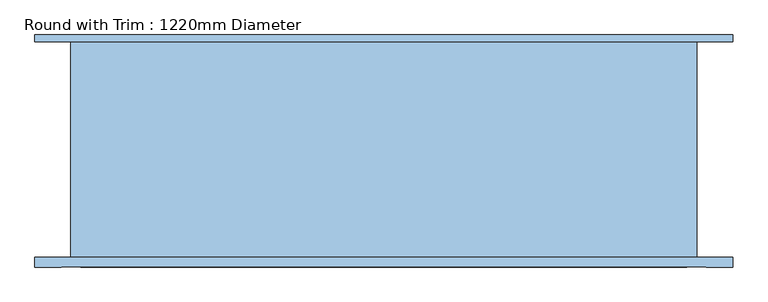
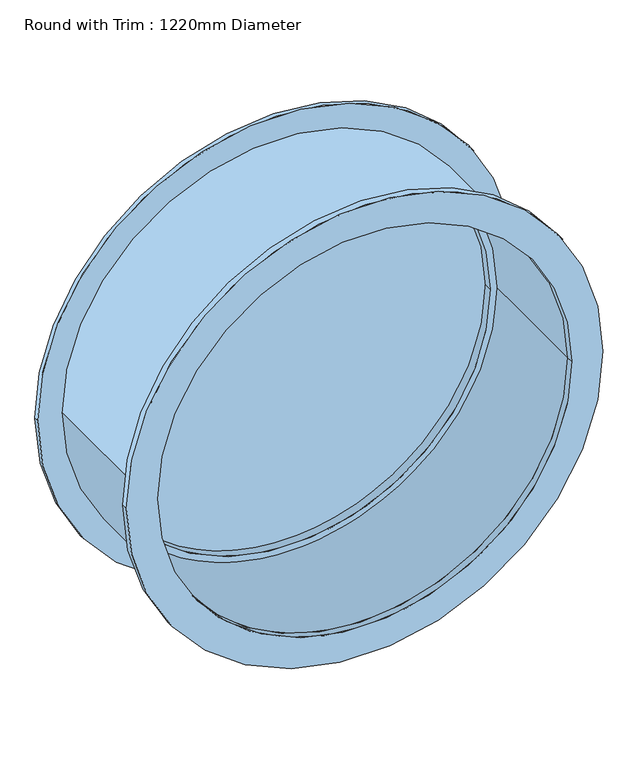
"""IFC4 building model written with IfcOpenShell, lengths in millimetres: window geometry, Round with Trim : 1220mm Diameter."""

from ifc_helpers import new_model, si_unit, point, frame, frame_2d, origin, place, context, project, spatial, circle_curve, trimmed, segment, composite_curve, outline, extrude, source, transform, mapped, element, save


def round_with_trim_1220mm_diameter_c9d7ba52(model_context):
    return source(origin(), model_context, "Body", "SweptSolid", [
        extrude(outline(composite_curve([segment(trimmed(circle_curve(frame_2d((1220.0, 152.8)), 679.95), [point((1220.0, -527.15))], [point((1220.0, 832.75))], False, "CARTESIAN"), True, "CONTINUOUS"), segment(trimmed(circle_curve(frame_2d((1220.0, 152.8)), 679.95), [point((1220.0, 832.75))], [point((1220.0, -527.15))], False, "CARTESIAN"), True, "CONTINUOUS")], self_intersect=False), holes=[composite_curve([segment(trimmed(circle_curve(frame_2d((1220.0, 152.8)), 590.95), [point((1220.0, -438.15))], [point((1220.0, 743.75))], True, "CARTESIAN"), True, "CONTINUOUS"), segment(trimmed(circle_curve(frame_2d((1220.0, 152.8)), 590.95), [point((1220.0, 743.75))], [point((1220.0, -438.15))], True, "CARTESIAN"), True, "CONTINUOUS")], self_intersect=False)]), frame((0.0, -229.0, 0.0), z_axis=(0.0, 1.0, 0.0), x_axis=(0.0, 0.0, 1.0)), (0.0, 0.0, 1.0), 19.0),
        extrude(outline(composite_curve([segment(trimmed(circle_curve(frame_2d((1220.0, 152.8)), 679.95), [point((1220.0, -527.15))], [point((1220.0, 832.75))], False, "CARTESIAN"), True, "CONTINUOUS"), segment(trimmed(circle_curve(frame_2d((1220.0, 152.8)), 679.95), [point((1220.0, 832.75))], [point((1220.0, -527.15))], False, "CARTESIAN"), True, "CONTINUOUS")], self_intersect=False), holes=[composite_curve([segment(trimmed(circle_curve(frame_2d((1220.0, 152.8)), 590.95), [point((1220.0, -438.15))], [point((1220.0, 743.75))], True, "CARTESIAN"), True, "CONTINUOUS"), segment(trimmed(circle_curve(frame_2d((1220.0, 152.8)), 590.95), [point((1220.0, 743.75))], [point((1220.0, -438.15))], True, "CARTESIAN"), True, "CONTINUOUS")], self_intersect=False)]), frame((0.0, 210.0, 0.0), z_axis=(0.0, 1.0, 0.0), x_axis=(0.0, 0.0, 1.0)), (0.0, 0.0, 1.0), 13.0),
        extrude(outline(composite_curve([segment(trimmed(circle_curve(frame_2d((1220.0, 152.8)), 571.9), [point((1220.0, -419.1))], [point((1220.0, 724.7))], False, "CARTESIAN"), True, "CONTINUOUS"), segment(trimmed(circle_curve(frame_2d((1220.0, 152.8)), 571.9), [point((1220.0, 724.7))], [point((1220.0, -419.1))], False, "CARTESIAN"), True, "CONTINUOUS")], self_intersect=False)), frame((0.0, 165.6, 0.0), z_axis=(0.0, 1.0, 0.0), x_axis=(0.0, 0.0, 1.0)), (0.0, 0.0, 1.0), 12.7),
        extrude(outline(composite_curve([segment(trimmed(circle_curve(frame_2d((1220.0, 152.8)), 590.95), [point((1220.0, -438.15))], [point((1220.0, 743.75))], False, "CARTESIAN"), True, "CONTINUOUS"), segment(trimmed(circle_curve(frame_2d((1220.0, 152.8)), 590.95), [point((1220.0, 743.75))], [point((1220.0, -438.15))], False, "CARTESIAN"), True, "CONTINUOUS")], self_intersect=False), holes=[composite_curve([segment(trimmed(circle_curve(frame_2d((1220.0, 152.8)), 571.9), [point((1220.0, -419.1))], [point((1220.0, 724.7))], True, "CARTESIAN"), True, "CONTINUOUS"), segment(trimmed(circle_curve(frame_2d((1220.0, 152.8)), 571.9), [point((1220.0, 724.7))], [point((1220.0, -419.1))], True, "CARTESIAN"), True, "CONTINUOUS")], self_intersect=False)]), frame((0.0, 140.2, 0.0), z_axis=(0.0, 1.0, 0.0), x_axis=(0.0, 0.0, 1.0)), (0.0, 0.0, 1.0), 50.8),
        extrude(outline(composite_curve([segment(trimmed(circle_curve(frame_2d((1220.0, 152.8)), 610.0), [point((1220.0, -457.2))], [point((1220.0, 762.8))], False, "CARTESIAN"), True, "CONTINUOUS"), segment(trimmed(circle_curve(frame_2d((1220.0, 152.8)), 610.0), [point((1220.0, 762.8))], [point((1220.0, -457.2))], False, "CARTESIAN"), True, "CONTINUOUS")], self_intersect=False), holes=[composite_curve([segment(trimmed(circle_curve(frame_2d((1220.0, 152.8)), 590.95), [point((1220.0, -438.15))], [point((1220.0, 743.75))], True, "CARTESIAN"), True, "CONTINUOUS"), segment(trimmed(circle_curve(frame_2d((1220.0, 152.8)), 590.95), [point((1220.0, 743.75))], [point((1220.0, -438.15))], True, "CARTESIAN"), True, "CONTINUOUS")], self_intersect=False)]), frame((0.0, -210.0, 0.0), z_axis=(0.0, 1.0, 0.0), x_axis=(0.0, 0.0, 1.0)), (0.0, 0.0, 1.0), 420.0),
    ])


if __name__ == "__main__":
    model = new_model("IFC4")
    model_context = context("Model", 3, world=origin())
    ifc_project = project(units=[si_unit("LENGTHUNIT", "METRE", prefix="MILLI")], contexts=[model_context])
    site = spatial("IfcSite", under=ifc_project)
    building = spatial("IfcBuilding", under=site)
    placement = place(None, origin())
    round_with_trim_1220mm_diameter_shape = round_with_trim_1220mm_diameter_c9d7ba52(model_context)
    element("IfcWindow", 1, ObjectType="Round with Trim : 1220mm Diameter", at=placement, inside=building, context=model_context, shape_type="MappedRepresentation", body=[
        mapped(round_with_trim_1220mm_diameter_shape, transform((0.0, 0.0, 0.0), x_axis=(1.0, 0.0, 0.0), y_axis=(0.0, 1.0, 0.0), z_axis=(0.0, 0.0, 1.0))),
    ])
    save(model, "model.ifc")
